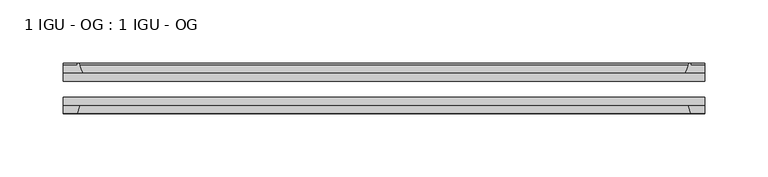
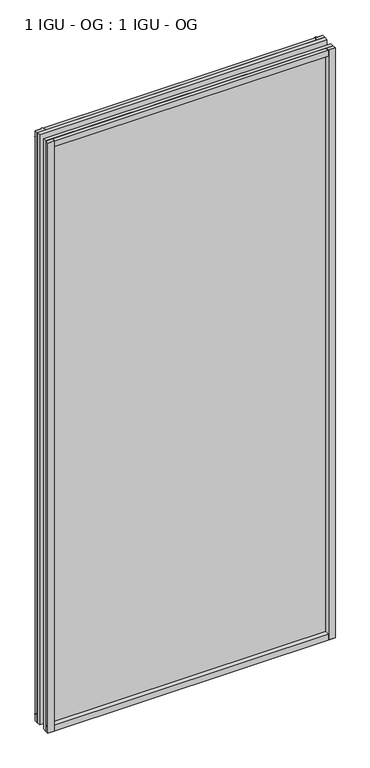
"""IFC4 building model written with IfcOpenShell, lengths in millimetres: plate geometry, 1 IGU - OG : 1 IGU - OG."""

from ifc_helpers import new_model, si_unit, point, frame, frame_2d, origin, place, context, project, spatial, polyline, circle_curve, trimmed, segment, composite_curve, outline, extrude, source, transform, mapped, element, save


def plate_1_igu_og_1_igu_og_7822439d(model_context):
    return source(origin(), model_context, "Body", "SweptSolid", [
        extrude(outline(polyline([(254.0, -31.75), (254.0, -38.1), (-254.0, -38.1), (-254.0, -31.75), (254.0, -31.75)])), frame((0.0, 0.0, -11.1125), z_axis=(0.0, 0.0, 1.0), x_axis=(1.0, 0.0, 0.0)), (0.0, 0.0, 1.0), 1101.7245636),
        extrude(outline(polyline([(-254.0, -12.7), (254.0, -12.7), (254.0, -19.05), (-254.0, -19.05), (-254.0, -12.7)])), frame((0.0, 0.0, -11.1125), z_axis=(0.0, 0.0, 1.0), x_axis=(1.0, 0.0, 0.0)), (0.0, 0.0, 1.0), 1101.7245636),
        extrude(outline(composite_curve([segment(polyline([(-238.6642091, -12.7), (-254.0, -12.7), (-254.0, -6.35), (-242.8875, -6.35), (-242.8875, -4.7751661), (-241.958086, -4.7751661)]), True, "CONTINUOUS"), segment(trimmed(circle_curve(frame_2d((-241.958086, -5.5371661)), 0.762), [point((-241.958086, -4.7751661))], [point((-241.2158761, -5.364631))], False, "CARTESIAN"), True, "CONTINUOUS"), segment(trimmed(circle_curve(frame_2d((-205.5866579, 2.9177851)), 36.5792237), [point((-241.2158761, -5.364631))], [point((-238.6642091, -12.7))], True, "CARTESIAN"), True, "CONTINUOUS")], self_intersect=False)), frame((0.0, 0.0, -11.1125), z_axis=(0.0, 0.0, 1.0), x_axis=(1.0, 0.0, 0.0)), (0.0, 0.0, 1.0), 1101.7245636),
        extrude(outline(polyline([(-254.0, -38.1), (-240.7822229, -38.1), (-242.8875, -44.45), (-254.0, -44.45), (-254.0, -38.1)])), frame((0.0, 0.0, -11.1125), z_axis=(0.0, 0.0, 1.0), x_axis=(1.0, 0.0, 0.0)), (0.0, 0.0, 1.0), 1101.7245636),
        extrude(outline(composite_curve([segment(trimmed(circle_curve(frame_2d((241.958086, -5.5371661)), 0.762), [point((241.2158761, -5.364631))], [point((241.958086, -4.7751661))], False, "CARTESIAN"), True, "CONTINUOUS"), segment(polyline([(241.958086, -4.7751661), (242.8875, -4.7751661), (242.8875, -6.35), (254.0, -6.35), (254.0, -12.7), (238.6642091, -12.7)]), True, "CONTINUOUS"), segment(trimmed(circle_curve(frame_2d((205.5866579, 2.9177851)), 36.5792237), [point((238.6642091, -12.7))], [point((241.2158761, -5.364631))], True, "CARTESIAN"), True, "CONTINUOUS")], self_intersect=False)), frame((0.0, 0.0, -11.1125), z_axis=(0.0, 0.0, 1.0), x_axis=(1.0, 0.0, 0.0)), (0.0, 0.0, 1.0), 1101.7245636),
        extrude(outline(polyline([(240.7822229, -38.1), (254.0, -38.1), (254.0, -44.45), (242.8875, -44.45), (240.7822229, -38.1)])), frame((0.0, 0.0, -11.1125), z_axis=(0.0, 0.0, 1.0), x_axis=(1.0, 0.0, 0.0)), (0.0, 0.0, 1.0), 1101.7245636),
        extrude(outline(composite_curve([segment(polyline([(-12.7, -11.1125), (-12.7, 4.2232909)]), True, "CONTINUOUS"), segment(trimmed(circle_curve(frame_2d((2.9177851, 37.3008421)), 36.5792237), [point((-12.7, 4.2232909))], [point((-5.364631, 1.6716239))], True, "CARTESIAN"), True, "CONTINUOUS"), segment(trimmed(circle_curve(frame_2d((-5.5371661, 0.929414)), 0.762), [point((-5.364631, 1.6716239))], [point((-4.7751661, 0.929414))], False, "CARTESIAN"), True, "CONTINUOUS"), segment(polyline([(-4.7751661, 0.929414), (-4.7751661, 0.0), (-6.35, 0.0), (-6.35, -11.1125), (-12.7, -11.1125)]), True, "CONTINUOUS")], self_intersect=False)), frame((-254.0, 0.0, 0.0), z_axis=(1.0, 0.0, 0.0), x_axis=(0.0, 1.0, 0.0)), (0.0, 0.0, 1.0), 508.0),
        extrude(outline(polyline([(-38.1, 2.1052771), (-38.1, -11.1125), (-44.45, -11.1125), (-44.45, 0.0), (-38.1, 2.1052771)])), frame((-254.0, 0.0, 0.0), z_axis=(1.0, 0.0, 0.0), x_axis=(0.0, 1.0, 0.0)), (0.0, 0.0, 1.0), 508.0),
        extrude(outline(composite_curve([segment(trimmed(circle_curve(frame_2d((2.9177851, 1042.1987214)), 36.5792237), [point((-5.364631, 1077.8279397))], [point((-12.7, 1075.2762727))], True, "CARTESIAN"), True, "CONTINUOUS"), segment(polyline([(-12.7, 1075.2762727), (-12.7, 1090.6120636), (-6.35, 1090.6120636), (-6.35, 1079.4995636), (-4.7751661, 1079.4995636), (-4.7751661, 1078.5701496)]), True, "CONTINUOUS"), segment(trimmed(circle_curve(frame_2d((-5.5371661, 1078.5701496)), 0.762), [point((-4.7751661, 1078.5701496))], [point((-5.364631, 1077.8279397))], False, "CARTESIAN"), True, "CONTINUOUS")], self_intersect=False)), frame((-254.0, 0.0, 0.0), z_axis=(1.0, 0.0, 0.0), x_axis=(0.0, 1.0, 0.0)), (0.0, 0.0, 1.0), 508.0),
        extrude(outline(polyline([(-38.1, 1090.6120636), (-38.1, 1077.3942865), (-44.45, 1079.4995636), (-44.45, 1090.6120636), (-38.1, 1090.6120636)])), frame((-254.0, 0.0, 0.0), z_axis=(1.0, 0.0, 0.0), x_axis=(0.0, 1.0, 0.0)), (0.0, 0.0, 1.0), 508.0),
    ])


if __name__ == "__main__":
    model = new_model("IFC4")
    model_context = context("Model", 3, world=origin())
    ifc_project = project(units=[si_unit("LENGTHUNIT", "METRE", prefix="MILLI")], contexts=[model_context])
    site = spatial("IfcSite", under=ifc_project)
    building = spatial("IfcBuilding", under=site)
    placement = place(None, origin())
    plate_1_igu_og_1_igu_og_shape = plate_1_igu_og_1_igu_og_7822439d(model_context)
    element("IfcPlate", 1, ObjectType="1 IGU - OG : 1 IGU - OG", at=placement, inside=building, context=model_context, shape_type="MappedRepresentation", body=[
        mapped(plate_1_igu_og_1_igu_og_shape, transform((0.0, 0.0, 0.0), x_axis=(1.0, 0.0, 0.0), y_axis=(0.0, 1.0, 0.0), z_axis=(0.0, 0.0, 1.0))),
    ])
    save(model, "model.ifc")
